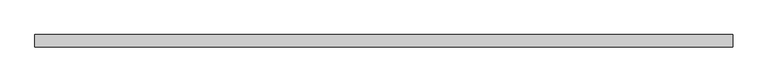
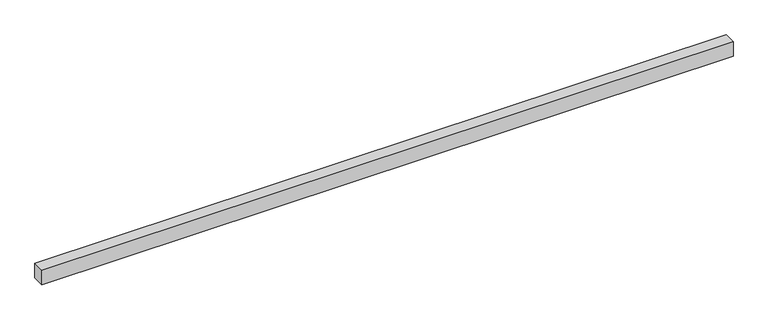
"""IFC4 building model written with IfcOpenShell, lengths in millimetres: proxy geometry."""

from ifc_helpers import new_model, si_unit, origin, origin_with_axes, place, context, project, spatial, polyline, outline, extrude, source, transform, mapped, element, save


def generic_models_88dae53b(model_context):
    return source(origin(), model_context, "Body", "SweptSolid", [
        extrude(outline(polyline([(4511.341264, -40.0), (0.0, -40.0), (0.0, 40.0), (4511.341264, 40.0), (4511.341264, -40.0)])), origin_with_axes(), (0.0, 0.0, 1.0), 100.0),
    ])


if __name__ == "__main__":
    model = new_model("IFC4")
    model_context = context("Model", 3, world=origin())
    ifc_project = project(units=[si_unit("LENGTHUNIT", "METRE", prefix="MILLI")], contexts=[model_context])
    site = spatial("IfcSite", under=ifc_project)
    building = spatial("IfcBuilding", under=site)
    placement = place(None, origin())
    generic_models_shape = generic_models_88dae53b(model_context)
    element("IfcBuildingElementProxy", 1, Name="Generic Models", at=placement, inside=building, context=model_context, shape_type="MappedRepresentation", body=[
        mapped(generic_models_shape, transform((0.0, 0.0, 0.0), x_axis=(1.0, 0.0, 0.0), y_axis=(0.0, 1.0, 0.0), z_axis=(0.0, 0.0, 1.0))),
    ])
    save(model, "model.ifc")
